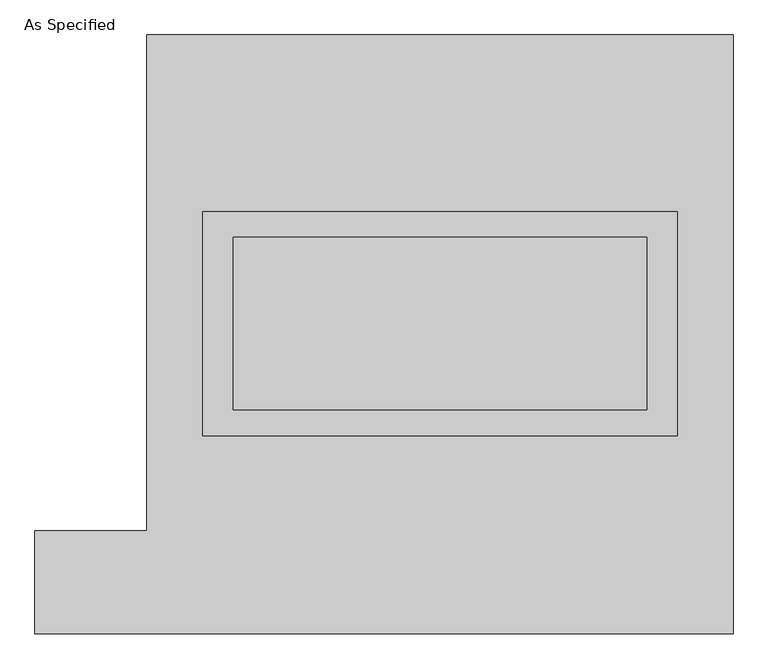
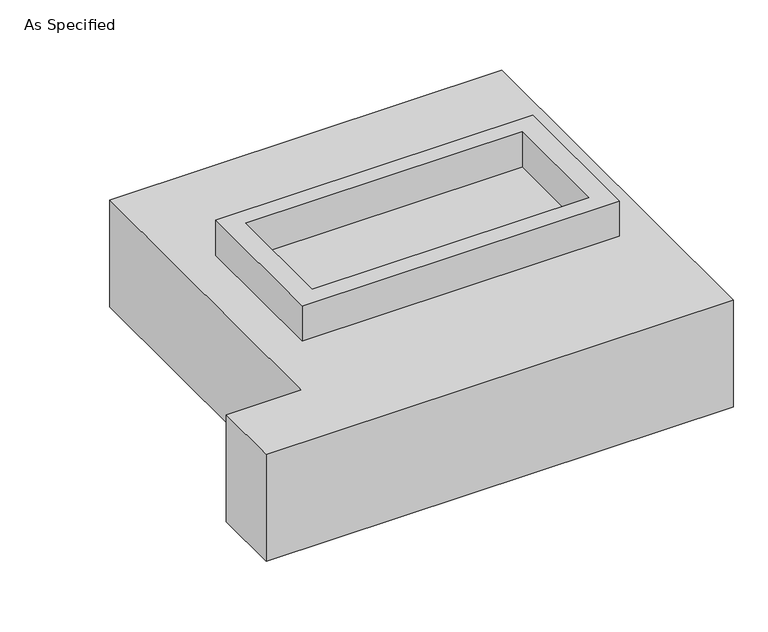
"""IFC4 building model written with IfcOpenShell, lengths in millimetres: proxy geometry, As Specified."""

from ifc_helpers import new_model, si_unit, frame, origin, place, context, project, spatial, polyline, outline, extrude, source, transform, mapped, element, save


def as_specified_1f0b7a68(model_context):
    return source(origin(), model_context, "Body", "SweptSolid", [
        extrude(outline(polyline([(698.5, 361.95), (698.5, -298.45), (-698.5, -298.45), (-698.5, 361.95), (698.5, 361.95)]), holes=[polyline([(609.6, 285.75), (-609.6, 285.75), (-609.6, -222.25), (609.6, -222.25), (609.6, 285.75)])]), frame((0.0, 0.0, -688.975), z_axis=(0.0, 0.0, 1.0), x_axis=(1.0, 0.0, 0.0)), (0.0, 0.0, 1.0), 165.1),
        extrude(outline(polyline([(698.5, 361.95), (698.5, -298.45), (-698.5, -298.45), (-698.5, 361.95), (698.5, 361.95)]), holes=[polyline([(609.6, 285.75), (-609.6, 285.75), (-609.6, -222.25), (609.6, -222.25), (609.6, 285.75)])]), frame((0.0, 0.0, -25.4), z_axis=(0.0, 0.0, 1.0), x_axis=(1.0, 0.0, 0.0)), (0.0, 0.0, 1.0), 165.1),
        extrude(outline(polyline([(609.6, 285.75), (609.6, -222.25), (-609.6, -222.25), (-609.6, 285.75), (609.6, 285.75)])), frame((0.0, 0.0, -523.875), z_axis=(0.0, 0.0, 1.0), x_axis=(1.0, 0.0, 0.0)), (0.0, 0.0, 1.0), 4.9609375),
        extrude(outline(polyline([(609.6, 285.75), (609.6, -222.25), (-609.6, -222.25), (-609.6, 285.75), (609.6, 285.75)])), frame((0.0, 0.0, -30.3609375), z_axis=(0.0, 0.0, 1.0), x_axis=(1.0, 0.0, 0.0)), (0.0, 0.0, 1.0), 4.9609375),
        extrude(outline(polyline([(-863.6, 882.65), (863.6, 882.65), (863.6, -882.65), (-1193.8, -882.65), (-1193.8, -577.85), (-863.6, -577.85), (-863.6, 882.65)]), holes=[polyline([(-698.5, 361.95), (-698.5, -298.45), (698.5, -298.45), (698.5, 361.95), (-698.5, 361.95)])]), frame((0.0, 0.0, -523.875), z_axis=(0.0, 0.0, 1.0), x_axis=(1.0, 0.0, 0.0)), (0.0, 0.0, 1.0), 498.475),
    ])


if __name__ == "__main__":
    model = new_model("IFC4")
    model_context = context("Model", 3, world=origin())
    ifc_project = project(units=[si_unit("LENGTHUNIT", "METRE", prefix="MILLI")], contexts=[model_context])
    site = spatial("IfcSite", under=ifc_project)
    building = spatial("IfcBuilding", under=site)
    placement = place(None, origin())
    as_specified_shape = as_specified_1f0b7a68(model_context)
    element("IfcBuildingElementProxy", 1, Name="As Specified", ObjectType="As Specified", at=placement, inside=building, context=model_context, shape_type="MappedRepresentation", body=[
        mapped(as_specified_shape, transform((0.0, 0.0, 0.0), x_axis=(1.0, 0.0, 0.0), y_axis=(0.0, 1.0, 0.0), z_axis=(0.0, 0.0, 1.0))),
    ])
    save(model, "model.ifc")
